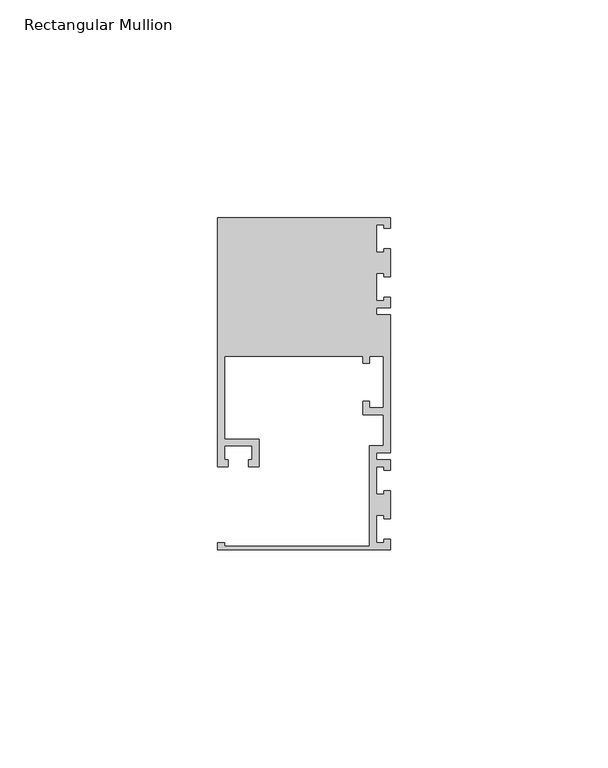
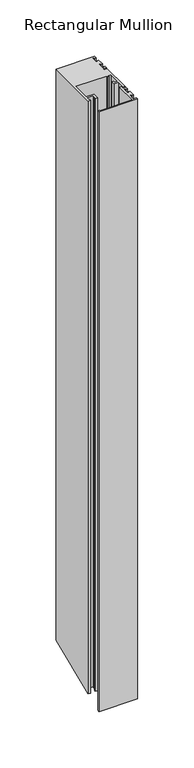
"""IFC4 building model written with IfcOpenShell, lengths in millimetres: member geometry, Rectangular Mullion."""

from ifc_helpers import new_model, si_unit, origin, place, context, project, spatial, faceted_brep, source, transform, mapped, element, save


def rectangular_mullion_0cec5a90(model_context):
    return source(origin(), model_context, "Body", "Brep", [
        faceted_brep([(0.0, -38.1, 0.0), (0.0, -35.71875, 0.0), (-1.4999946, -35.71875, 0.0), (-1.4999946, -36.5125, 0.0), (-3.175, -36.5125, 0.0), (-3.175, -30.1625, 0.0), (-1.4999946, -30.1625, 0.0), (-1.4999946, -30.95625, 0.0), (0.0, -30.95625, 0.0), (0.0, -24.60625, 0.0), (-1.4999946, -24.60625, 0.0), (-1.4999946, -25.4, 0.0), (-3.175, -25.4, 0.0), (-3.175, -19.05, 0.0), (-1.4999946, -19.05, 0.0), (-1.4999946, -19.84375, 0.0), (0.0, -19.84375, 0.0), (0.0, -17.4625, 0.0), (-3.175, -17.4625, 0.0), (-3.175, -15.875, 0.0), (0.0, -15.875, 0.0), (0.0, 15.875, 0.0), (-3.175, 15.875, 0.0), (-3.175, 17.4625, 0.0), (0.0, 17.4625, 0.0), (0.0, 19.84375, 0.0), (-1.4999946, 19.84375, 0.0), (-1.4999946, 19.05, 0.0), (-3.175, 19.05, 0.0), (-3.175, 25.4, 0.0), (-1.4999946, 25.4, 0.0), (-1.4999946, 24.60625, 0.0), (0.0, 24.60625, 0.0), (0.0, 30.95625, 0.0), (-1.4999946, 30.95625, 0.0), (-1.4999946, 30.1625, 0.0), (-3.175, 30.1625, 0.0), (-3.175, 36.5125, 0.0), (-1.4999946, 36.5125, 0.0), (-1.4999946, 35.71875, 0.0), (0.0, 35.71875, 0.0), (0.0, 38.1, 0.0), (-39.6875, 38.1, 0.0), (-39.6875, -19.05, 0.0), (-37.30625, -19.05, 0.0), (-37.30625, -17.4625, 0.0), (-38.1, -17.4625, 0.0), (-38.1, -14.2875, 0.0), (-31.75, -14.2875, 0.0), (-31.75, -17.4625, 0.0), (-32.54375, -17.4625, 0.0), (-32.54375, -19.05, 0.0), (-30.1625, -19.05, 0.0), (-30.1625, -12.7, 0.0), (-38.1, -12.7, 0.0), (-38.1, 6.35, 0.0), (-6.35, 6.35, 0.0), (-6.35, 4.7625, 0.0), (-4.7625, 4.7625, 0.0), (-4.7625, 6.35, 0.0), (-1.5875, 6.35, 0.0), (-1.5875, -5.55625, 0.0), (-4.7625, -5.55625, 0.0), (-4.7625, -3.96875, 0.0), (-6.35, -3.96875, 0.0), (-6.35, -7.14375, 0.0), (-1.5875, -7.14375, 0.0), (-1.5875, -14.2875, 0.0), (-4.7625, -14.2875, 0.0), (-4.7625, -37.30625, 0.0), (-38.1, -37.30625, 0.0), (-38.1, -36.5125, 0.0), (-39.6875, -36.5125, 0.0), (-39.6875, -38.1, 0.0), (0.0, -38.1, -650.7815367), (0.0, -35.71875, -649.7951907), (-1.4999946, -35.71875, -649.7951907), (-1.4999946, -36.5125, -650.1239727), (-3.175, -36.5125, -650.1239727), (-3.175, -30.1625, -647.4937166), (-1.4999946, -30.1625, -647.4937166), (-1.4999946, -30.95625, -647.8224986), (0.0, -30.95625, -647.8224986), (0.0, -24.60625, -645.1922425), (-1.4999946, -24.60625, -645.1922425), (-1.4999946, -25.4, -645.5210245), (-3.175, -25.4, -645.5210245), (-3.175, -19.05, -642.8907684), (-1.4999946, -19.05, -642.8907684), (-1.4999946, -19.84375, -643.2195504), (0.0, -19.84375, -643.2195504), (0.0, -17.4625, -642.2332043), (-3.175, -17.4625, -642.2332043), (-3.175, -15.875, -641.5756403), (0.0, -15.875, -641.5756403), (0.0, 15.875, -628.4243597), (-3.175, 15.875, -628.4243597), (-3.175, 17.4625, -627.7667957), (0.0, 17.4625, -627.7667957), (0.0, 19.84375, -626.7804496), (-1.4999946, 19.84375, -626.7804496), (-1.4999946, 19.05, -627.1092316), (-3.175, 19.05, -627.1092316), (-3.175, 25.4, -624.4789755), (-1.4999946, 25.4, -624.4789755), (-1.4999946, 24.60625, -624.8077575), (0.0, 24.60625, -624.8077575), (0.0, 30.95625, -622.1775014), (-1.4999946, 30.95625, -622.1775014), (-1.4999946, 30.1625, -622.5062834), (-3.175, 30.1625, -622.5062834), (-3.175, 36.5125, -619.8760273), (-1.4999946, 36.5125, -619.8760273), (-1.4999946, 35.71875, -620.2048093), (0.0, 35.71875, -620.2048093), (0.0, 38.1, -619.2184633), (-39.6875, 38.1, -619.2184633), (-39.6875, -19.05, -642.8907684), (-37.30625, -19.05, -642.8907684), (-37.30625, -17.4625, -642.2332043), (-38.1, -17.4625, -642.2332043), (-38.1, -14.2875, -640.9180763), (-31.75, -14.2875, -640.9180763), (-31.75, -17.4625, -642.2332043), (-32.54375, -17.4625, -642.2332043), (-32.54375, -19.05, -642.8907684), (-30.1625, -19.05, -642.8907684), (-30.1625, -12.7, -640.2605122), (-38.1, -12.7, -640.2605122), (-38.1, 6.35, -632.3697439), (-6.35, 6.35, -632.3697439), (-6.35, 4.7625, -633.0273079), (-4.7625, 4.7625, -633.0273079), (-4.7625, 6.35, -632.3697439), (-1.5875, 6.35, -632.3697439), (-1.5875, -5.55625, -637.3014741), (-4.7625, -5.55625, -637.3014741), (-4.7625, -3.96875, -636.6439101), (-6.35, -3.96875, -636.6439101), (-6.35, -7.14375, -637.9590381), (-1.5875, -7.14375, -637.9590381), (-1.5875, -14.2875, -640.9180763), (-4.7625, -14.2875, -640.9180763), (-4.7625, -37.30625, -650.4527547), (-38.1, -37.30625, -650.4527547), (-38.1, -36.5125, -650.1239727), (-39.6875, -36.5125, -650.1239727), (-39.6875, -38.1, -650.7815367)], [[[0, 1, 2, 3, 4, 5, 6, 7, 8, 9, 10, 11, 12, 13, 14, 15, 16, 17, 18, 19, 20, 21, 22, 23, 24, 25, 26, 27, 28, 29, 30, 31, 32, 33, 34, 35, 36, 37, 38, 39, 40, 41, 42, 43, 44, 45, 46, 47, 48, 49, 50, 51, 52, 53, 54, 55, 56, 57, 58, 59, 60, 61, 62, 63, 64, 65, 66, 67, 68, 69, 70, 71, 72, 73]], [[1, 0, 74, 75]], [[2, 1, 75, 76]], [[3, 2, 76, 77]], [[4, 3, 77, 78]], [[5, 4, 78, 79]], [[6, 5, 79, 80]], [[7, 6, 80, 81]], [[8, 7, 81, 82]], [[9, 8, 82, 83]], [[10, 9, 83, 84]], [[11, 10, 84, 85]], [[12, 11, 85, 86]], [[13, 12, 86, 87]], [[14, 13, 87, 88]], [[15, 14, 88, 89]], [[16, 15, 89, 90]], [[17, 16, 90, 91]], [[18, 17, 91, 92]], [[19, 18, 92, 93]], [[20, 19, 93, 94]], [[21, 20, 94, 95]], [[22, 21, 95, 96]], [[23, 22, 96, 97]], [[24, 23, 97, 98]], [[25, 24, 98, 99]], [[26, 25, 99, 100]], [[27, 26, 100, 101]], [[28, 27, 101, 102]], [[29, 28, 102, 103]], [[30, 29, 103, 104]], [[31, 30, 104, 105]], [[32, 31, 105, 106]], [[33, 32, 106, 107]], [[34, 33, 107, 108]], [[35, 34, 108, 109]], [[36, 35, 109, 110]], [[37, 36, 110, 111]], [[38, 37, 111, 112]], [[39, 38, 112, 113]], [[40, 39, 113, 114]], [[41, 40, 114, 115]], [[42, 41, 115, 116]], [[43, 42, 116, 117]], [[44, 43, 117, 118]], [[45, 44, 118, 119]], [[46, 45, 119, 120]], [[47, 46, 120, 121]], [[48, 47, 121, 122]], [[49, 48, 122, 123]], [[50, 49, 123, 124]], [[51, 50, 124, 125]], [[52, 51, 125, 126]], [[53, 52, 126, 127]], [[54, 53, 127, 128]], [[55, 54, 128, 129]], [[56, 55, 129, 130]], [[57, 56, 130, 131]], [[58, 57, 131, 132]], [[59, 58, 132, 133]], [[60, 59, 133, 134]], [[61, 60, 134, 135]], [[62, 61, 135, 136]], [[63, 62, 136, 137]], [[64, 63, 137, 138]], [[65, 64, 138, 139]], [[66, 65, 139, 140]], [[67, 66, 140, 141]], [[68, 67, 141, 142]], [[69, 68, 142, 143]], [[70, 69, 143, 144]], [[71, 70, 144, 145]], [[72, 71, 145, 146]], [[73, 72, 146, 147]], [[0, 73, 147, 74]], [[74, 147, 146, 145, 144, 143, 142, 141, 140, 139, 138, 137, 136, 135, 134, 133, 132, 131, 130, 129, 128, 127, 126, 125, 124, 123, 122, 121, 120, 119, 118, 117, 116, 115, 114, 113, 112, 111, 110, 109, 108, 107, 106, 105, 104, 103, 102, 101, 100, 99, 98, 97, 96, 95, 94, 93, 92, 91, 90, 89, 88, 87, 86, 85, 84, 83, 82, 81, 80, 79, 78, 77, 76, 75]]]),
    ])


if __name__ == "__main__":
    model = new_model("IFC4")
    model_context = context("Model", 3, world=origin())
    ifc_project = project(units=[si_unit("LENGTHUNIT", "METRE", prefix="MILLI")], contexts=[model_context])
    site = spatial("IfcSite", under=ifc_project)
    building = spatial("IfcBuilding", under=site)
    placement = place(None, origin())
    rectangular_mullion_shape = rectangular_mullion_0cec5a90(model_context)
    element("IfcMember", 1, ObjectType="Rectangular Mullion", at=placement, inside=building, context=model_context, shape_type="MappedRepresentation", body=[
        mapped(rectangular_mullion_shape, transform((0.0, 0.0, 0.0), x_axis=(1.0, 0.0, 0.0), y_axis=(0.0, 1.0, 0.0), z_axis=(0.0, 0.0, 1.0))),
    ])
    save(model, "model.ifc")
